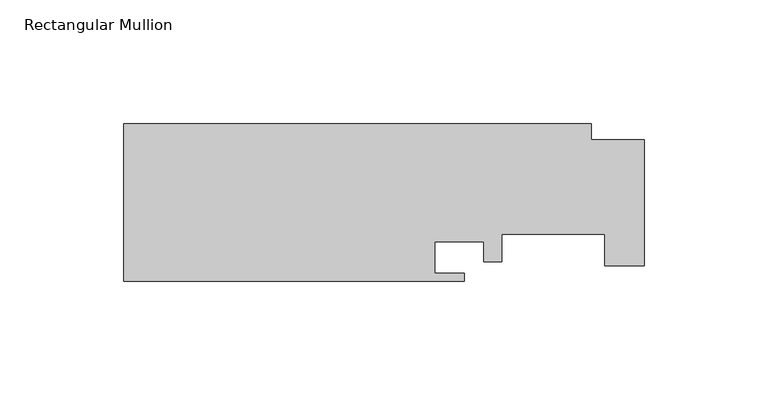
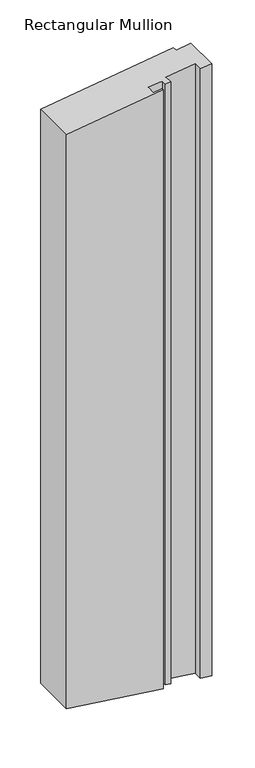
"""IFC4 building model written with IfcOpenShell, lengths in millimetres: member geometry, Rectangular Mullion."""

from ifc_helpers import new_model, si_unit, origin, place, context, project, spatial, faceted_brep, source, transform, mapped, element, save


def rectangular_mullion_abe4f63e(model_context):
    return source(origin(), model_context, "Body", "Brep", [
        faceted_brep([(-191.643, -19.05, -26.9336672), (-191.643, 44.45, -26.9336672), (-191.643, 44.45, -888.8674581), (-191.643, -19.05, -888.8674581), (-54.3052, -19.05, -7.6320981), (-54.3052, -19.05, -907.1649338), (-54.3052, -15.875, -7.6320981), (-54.3052, -15.875, -907.1649338), (-66.2178, -15.875, -9.3063049), (-66.2178, -15.875, -905.5778215), (-66.2178, -3.175, -9.3063049), (-66.2178, -3.175, -905.5778215), (-46.4058, -3.175, -6.5219099), (-46.4058, -3.175, -908.2173686), (-46.4058, -11.1252, -6.5219099), (-46.4058, -11.1252, -908.2173686), (-39.243, -11.1252, -5.515244), (-39.243, -11.1252, -909.1716664), (-39.243, 0.0, -5.515244), (-39.243, 0.0, -909.1716664), (2.413, 0.0, 0.339125), (2.413, 0.0, -914.7214833), (2.413, -12.7, 0.339125), (2.413, -12.7, -914.7214833), (18.288, -12.7, 2.5702108), (18.288, -12.7, -916.836505), (18.288, 38.1, 2.5702108), (18.288, 38.1, -916.836505), (-2.9972, 38.1, -0.421229), (-2.9972, 38.1, -914.0006839), (-2.9972, 44.45, -0.421229), (-2.9972, 44.45, -914.0006839)], [[[0, 1, 2, 3]], [[4, 0, 3, 5]], [[6, 4, 5, 7]], [[8, 6, 7, 9]], [[10, 8, 9, 11]], [[12, 10, 11, 13]], [[14, 12, 13, 15]], [[16, 14, 15, 17]], [[18, 16, 17, 19]], [[20, 18, 19, 21]], [[22, 20, 21, 23]], [[24, 22, 23, 25]], [[26, 24, 25, 27]], [[28, 26, 27, 29]], [[30, 28, 29, 31]], [[1, 30, 31, 2]], [[0, 4, 6, 8, 10, 12, 14, 16, 18, 20, 22, 24, 26, 28, 30, 1]], [[3, 2, 31, 29, 27, 25, 23, 21, 19, 17, 15, 13, 11, 9, 7, 5]]]),
    ])


if __name__ == "__main__":
    model = new_model("IFC4")
    model_context = context("Model", 3, world=origin())
    ifc_project = project(units=[si_unit("LENGTHUNIT", "METRE", prefix="MILLI")], contexts=[model_context])
    site = spatial("IfcSite", under=ifc_project)
    building = spatial("IfcBuilding", under=site)
    placement = place(None, origin())
    rectangular_mullion_shape = rectangular_mullion_abe4f63e(model_context)
    element("IfcMember", 1, ObjectType="Rectangular Mullion", at=placement, inside=building, context=model_context, shape_type="MappedRepresentation", body=[
        mapped(rectangular_mullion_shape, transform((0.0, 0.0, 0.0), x_axis=(1.0, 0.0, 0.0), y_axis=(0.0, 1.0, 0.0), z_axis=(0.0, 0.0, 1.0))),
    ])
    save(model, "model.ifc")
